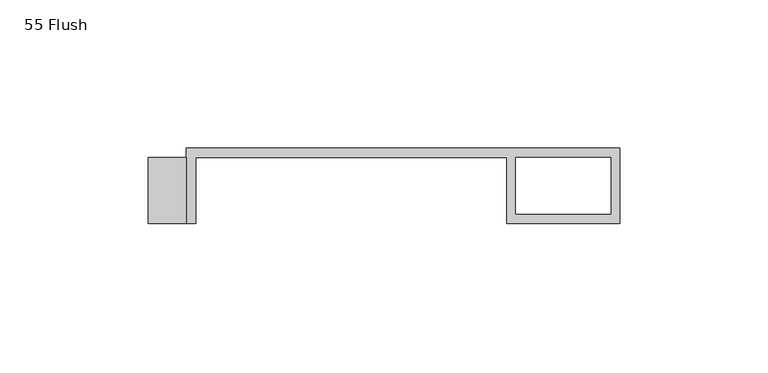
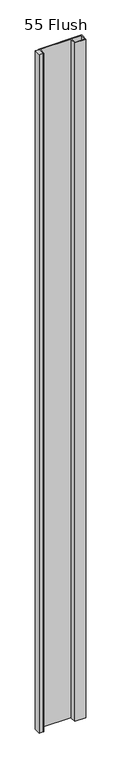
"""IFC4 building model written with IfcOpenShell, lengths in millimetres: proxy geometry, 55 Flush."""

from ifc_helpers import new_model, si_unit, origin, origin_with_axes, place, context, project, spatial, polyline, outline, extrude, source, transform, mapped, element, save


def proxy_55_flush_71f7024a(model_context):
    return source(origin(), model_context, "Body", "SweptSolid", [
        extrude(outline(polyline([(-107.95, 22.225), (-107.95, 0.0), (-120.65, 0.0), (-120.65, 22.225), (-107.95, 22.225)])), origin_with_axes(), (0.0, 0.0, 1.0), 2438.4),
        extrude(outline(polyline([(-107.95, 0.0), (-107.95, 25.4), (38.1, 25.4), (38.1, 0.0), (0.0, 0.0), (0.0, 22.225), (-104.775, 22.225), (-104.775, 0.0), (-107.95, 0.0)]), holes=[polyline([(3.175, 3.175), (35.1499571, 3.175), (35.1499571, 22.225), (3.175, 22.225), (3.175, 3.175)])]), origin_with_axes(), (0.0, 0.0, 1.0), 2438.4),
    ])


if __name__ == "__main__":
    model = new_model("IFC4")
    model_context = context("Model", 3, world=origin())
    ifc_project = project(units=[si_unit("LENGTHUNIT", "METRE", prefix="MILLI")], contexts=[model_context])
    site = spatial("IfcSite", under=ifc_project)
    building = spatial("IfcBuilding", under=site)
    placement = place(None, origin())
    proxy_55_flush_shape = proxy_55_flush_71f7024a(model_context)
    element("IfcBuildingElementProxy", 1, Name="55 Flush", ObjectType="55 Flush", at=placement, inside=building, context=model_context, shape_type="MappedRepresentation", body=[
        mapped(proxy_55_flush_shape, transform((0.0, 0.0, 0.0), x_axis=(1.0, 0.0, 0.0), y_axis=(0.0, 1.0, 0.0), z_axis=(0.0, 0.0, 1.0))),
    ])
    save(model, "model.ifc")
